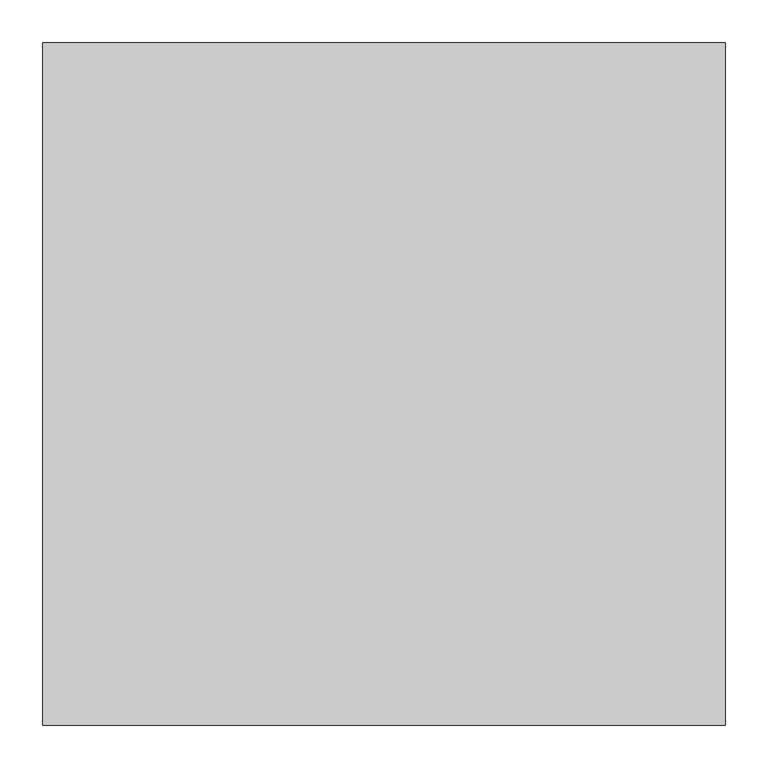
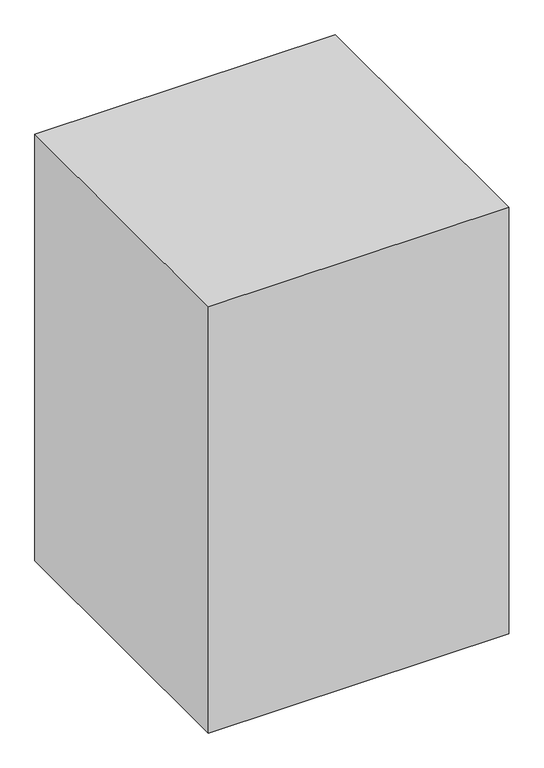
"""IFC4 building model written with IfcOpenShell, lengths in millimetres: proxy geometry."""

import ifcopenshell
import ifcopenshell.guid

model = None  # the IFC model being written
_history = None  # IfcOwnerHistory: only IFC2X3 demands one
_inside = {}  # id of a spatial element -> (the spatial element, [elements in it])
_under = {}  # id of a project, library or spatial element -> (it, [spatial elements below it])
_declared = {}  # id of a project -> (the project, [libraries it declares])
_typed = {}  # id of a type object -> (the type object, [elements of that type])
_made_of = {}  # id of a material, layer set ... -> (it, [elements and type objects made of it])


def new_model(schema):
    """Start an empty IFC model of exactly this schema.

    Asked for "IFC4X3", IfcOpenShell would pick the latest addendum, in which some entities
    have other attributes; the version numbers below select the first issue.
    IFC2X3 requires an IfcOwnerHistory on every rooted entity: one is made here for all.
    """
    global model, _history
    if schema == "IFC4X3":
        model = ifcopenshell.file(schema_version=(4, 3, 0, 0))
    else:
        model = ifcopenshell.file(schema=schema)
    _inside.clear()
    _under.clear()
    _declared.clear()
    _typed.clear()
    _made_of.clear()
    _history = None
    if model.schema == "IFC2X3":
        org = make("IfcOrganization", Name="unknown")
        user = make(
            "IfcPersonAndOrganization",
            ThePerson=make("IfcPerson", FamilyName="unknown"),
            TheOrganization=org,
        )
        app = make(
            "IfcApplication",
            ApplicationDeveloper=org,
            Version="unknown",
            ApplicationFullName="unknown",
            ApplicationIdentifier="unknown",
        )
        _history = make(
            "IfcOwnerHistory",
            OwningUser=user,
            OwningApplication=app,
            ChangeAction="ADDED",
            CreationDate=0,
        )
    return model


def make(cls, **values):
    """One entity of the class cls with the attributes given. An attribute that is None is left unset."""
    return model.create_entity(
        cls, **{name: value for name, value in values.items() if value is not None}
    )


def rooted(cls, **values):
    """An entity with a GlobalId (a new one), such as an element, a storey or a relation."""
    return make(cls, GlobalId=ifcopenshell.guid.new(), OwnerHistory=_history, **values)


def si_unit(unit_type, name, prefix=None):
    """IfcSIUnit, for example si_unit("LENGTHUNIT", "METRE", prefix="MILLI")."""
    return make("IfcSIUnit", UnitType=unit_type, Prefix=prefix, Name=name)


def assignment(units):
    """IfcUnitAssignment: the units of a project."""
    return None if units is None else make("IfcUnitAssignment", Units=units)


def point(xyz):
    """IfcCartesianPoint."""
    return None if xyz is None else make("IfcCartesianPoint", Coordinates=xyz)


def direction(xyz):
    """IfcDirection."""
    return None if xyz is None else make("IfcDirection", DirectionRatios=xyz)


def frame(location, z_axis=None, x_axis=None):
    """IfcAxis2Placement3D, a coordinate frame: its origin and axes. An axis left out is left unset."""
    return make(
        "IfcAxis2Placement3D",
        Location=point(location),
        Axis=direction(z_axis),
        RefDirection=direction(x_axis),
    )


def origin():
    """The frame at (0, 0, 0) with its axes left unset."""
    return frame((0.0, 0.0, 0.0))


def place(relative_to, where):
    """IfcLocalPlacement: puts the frame where relative to a parent placement (None: the world)."""
    return make(
        "IfcLocalPlacement", PlacementRelTo=relative_to, RelativePlacement=where
    )


def context(
    kind, dimensions, precision=None, world=None, true_north=None, identifier=None
):
    """IfcGeometricRepresentationContext, for example the 3D "Model" context."""
    return make(
        "IfcGeometricRepresentationContext",
        ContextIdentifier=identifier,
        ContextType=kind,
        CoordinateSpaceDimension=dimensions,
        Precision=precision,
        WorldCoordinateSystem=world,
        TrueNorth=true_north,
    )


def project(units=None, contexts=None):
    """IfcProject with its units and contexts."""
    return rooted(
        "IfcProject",
        Name="project",
        RepresentationContexts=contexts,
        UnitsInContext=assignment(units),
    )


def spatial(cls, under=None, at=None, **own):
    """A site, building, storey or space (cls), placed at a placement, below another one or the project."""
    s = rooted(cls, ObjectPlacement=at, **own)
    if under is not None:
        _under.setdefault(under.id(), (under, []))[1].append(s)
    return s


def polyline(points):
    """IfcPolyline through the points."""
    return make("IfcPolyline", Points=[point(p) for p in points])


def outline(outer, holes=None, kind="AREA"):
    """IfcArbitraryClosedProfileDef: a profile drawn as a closed curve; with holes, ...WithVoids."""
    if holes is None:
        return make("IfcArbitraryClosedProfileDef", ProfileType=kind, OuterCurve=outer)
    return make(
        "IfcArbitraryProfileDefWithVoids",
        ProfileType=kind,
        OuterCurve=outer,
        InnerCurves=holes,
    )


def extrude(swept, where, along, depth):
    """IfcExtrudedAreaSolid: the profile swept, set in the frame where, extruded along a direction by depth."""
    return make(
        "IfcExtrudedAreaSolid",
        SweptArea=swept,
        Position=where,
        ExtrudedDirection=direction(along),
        Depth=depth,
    )


def shape(context_of_items, identifier, shape_type, items):
    """IfcShapeRepresentation: the items that make up one representation, for example the "Body"."""
    return make(
        "IfcShapeRepresentation",
        ContextOfItems=context_of_items,
        RepresentationIdentifier=identifier,
        RepresentationType=shape_type,
        Items=items,
    )


def source(mapping_origin, context_of_items, identifier, shape_type, items):
    """IfcRepresentationMap: a shape defined once, which mapped items show again and again."""
    return make(
        "IfcRepresentationMap",
        MappingOrigin=mapping_origin,
        MappedRepresentation=shape(context_of_items, identifier, shape_type, items),
    )


def transform(
    local_origin,
    x_axis=None,
    y_axis=None,
    z_axis=None,
    scale=None,
    scale2=None,
    scale3=None,
    uniform=True,
):
    """IfcCartesianTransformationOperator3D, or its non-uniform kind. x_axis, y_axis, z_axis: its Axis1, 2, 3."""
    if uniform:
        return make(
            "IfcCartesianTransformationOperator3D",
            Axis1=direction(x_axis),
            Axis2=direction(y_axis),
            LocalOrigin=point(local_origin),
            Scale=scale,
            Axis3=direction(z_axis),
        )
    return make(
        "IfcCartesianTransformationOperator3DnonUniform",
        Axis1=direction(x_axis),
        Axis2=direction(y_axis),
        LocalOrigin=point(local_origin),
        Scale=scale,
        Axis3=direction(z_axis),
        Scale2=scale2,
        Scale3=scale3,
    )


def mapped(mapping_source, mapping_target):
    """IfcMappedItem: shows the shape of a source again, moved by a transform."""
    return make(
        "IfcMappedItem", MappingSource=mapping_source, MappingTarget=mapping_target
    )


def made_of(thing, what):
    """Note that an element or type object is made of a material, layer set ...; save() writes the relation."""
    if what is not None:
        _made_of.setdefault(what.id(), (what, []))[1].append(thing)
    return thing


def element(
    cls,
    number,
    at=None,
    inside=None,
    cuts=None,
    type_object=None,
    material=None,
    context=None,
    identifier="Body",
    shape_type=None,
    held_by="IfcProductDefinitionShape",
    body=None,
    shapes=None,
    **own,
):
    """One element of the class cls, such as IfcWall. Its Tag is "e" and its number.

    at: its placement. inside: the storey or other place that contains it. cuts: it is an
    opening in that element (IfcRelVoidsElement). A single representation is given by context,
    identifier, shape_type and body (its items); several are given by shapes. held_by: the class
    of the entity that holds the representations. save() writes the other relations.
    """
    e = rooted(cls, Tag="e%d" % number, ObjectPlacement=at, **own)
    if body is not None:
        shapes = [shape(context, identifier, shape_type, body)]
    if shapes is not None:
        e.Representation = make(held_by, Representations=shapes)
    if inside is not None:
        _inside.setdefault(inside.id(), (inside, []))[1].append(e)
    if cuts is not None:
        rooted(
            "IfcRelVoidsElement", RelatingBuildingElement=cuts, RelatedOpeningElement=e
        )
    if type_object is not None:
        _typed.setdefault(type_object.id(), (type_object, []))[1].append(e)
    return made_of(e, material)


def aggregate(whole, parts):
    """IfcRelAggregates: a whole, such as a stair, and the parts it consists of."""
    return rooted("IfcRelAggregates", RelatingObject=whole, RelatedObjects=parts)


def save(model, path):
    """Write the relations noted so far, then the file.

    IfcRelAggregates (storeys below a building ...), IfcRelContainedInSpatialStructure (elements
    in a storey), IfcRelDefinesByType, IfcRelAssociatesMaterial and IfcRelDeclares: one each for
    every whole, place, type object, material and project.
    """
    for whole, parts in _under.values():
        aggregate(whole, parts)
    for where, things in _inside.values():
        rooted(
            "IfcRelContainedInSpatialStructure",
            RelatedElements=things,
            RelatingStructure=where,
        )
    for kind, things in _typed.values():
        rooted("IfcRelDefinesByType", RelatedObjects=things, RelatingType=kind)
    for what, things in _made_of.values():
        rooted("IfcRelAssociatesMaterial", RelatedObjects=things, RelatingMaterial=what)
    for by, libraries in _declared.values():
        rooted("IfcRelDeclares", RelatingContext=by, RelatedDefinitions=libraries)
    model.write(path)


def generic_models_eef6b472(model_context):
    return source(origin(), model_context, "Body", "SweptSolid", [
        extrude(outline(polyline([(800.0, 800.0), (800.0, 0.0), (0.0, 0.0), (0.0, 800.0), (800.0, 800.0)])), frame((0.0, 0.0, 2600.0), z_axis=(0.0, 0.0, 1.0), x_axis=(1.0, 0.0, 0.0)), (0.0, 0.0, 1.0), 1200.0),
    ])


if __name__ == "__main__":
    model = new_model("IFC4")
    model_context = context("Model", 3, world=origin())
    ifc_project = project(units=[si_unit("LENGTHUNIT", "METRE", prefix="MILLI")], contexts=[model_context])
    site = spatial("IfcSite", under=ifc_project)
    building = spatial("IfcBuilding", under=site)
    placement = place(None, origin())
    generic_models_shape = generic_models_eef6b472(model_context)
    element("IfcBuildingElementProxy", 1, Name="Generic Models", at=placement, inside=building, context=model_context, shape_type="MappedRepresentation", body=[
        mapped(generic_models_shape, transform((0.0, 0.0, 0.0), x_axis=(1.0, 0.0, 0.0), y_axis=(0.0, 1.0, 0.0), z_axis=(0.0, 0.0, 1.0))),
    ])
    save(model, "model.ifc")
